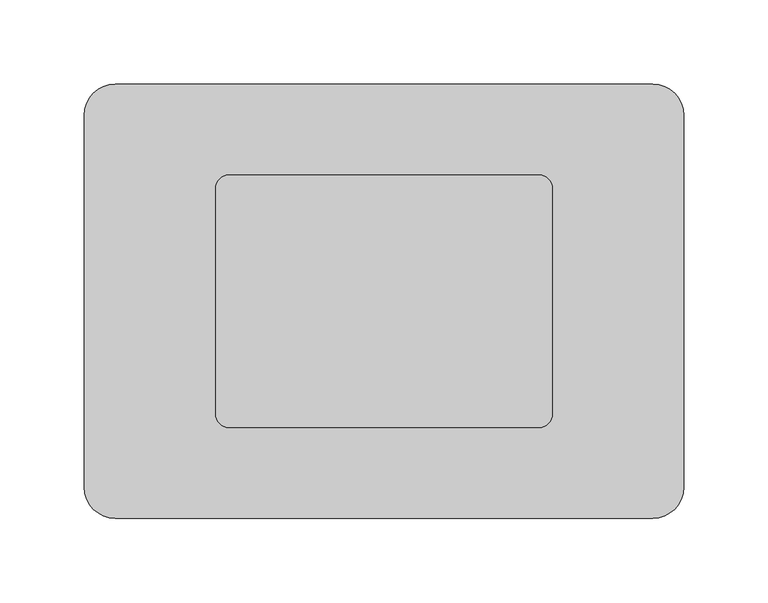
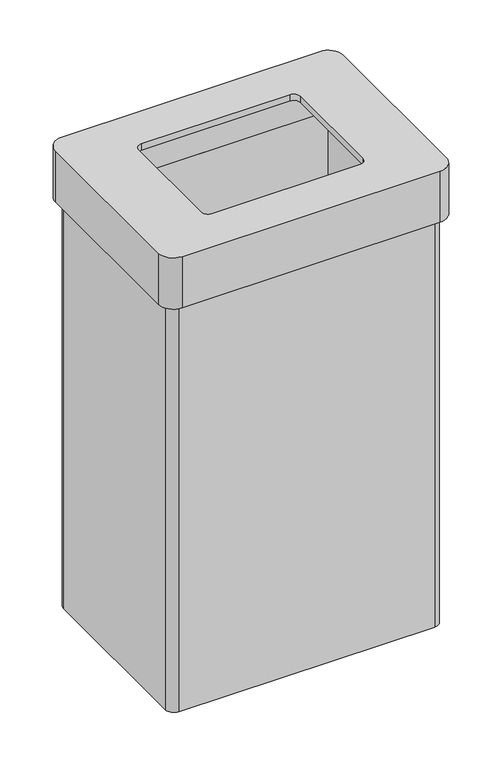
"""IFC4 building model written with IfcOpenShell, lengths in millimetres: furniture geometry."""

from ifc_helpers import new_model, si_unit, frame, origin, place, context, project, spatial, polyline, circle_curve, source, transform, mapped, element, save
from ifc_brep_helpers import plane_surface, cylinder_surface, revolved_surface, advanced_brep


def furniture_df1c7543(model_context):
    return source(origin(), model_context, "Body", "AdvancedBrep", [
        advanced_brep(
        [(158.25, 119.75, 534.2), (-158.25, 119.75, 534.2), (-168.75, 109.25, 534.2), (-168.75, -109.25, 534.2), (-158.25, -119.75, 534.2), (158.25, -119.75, 534.2), (168.75, -109.25, 534.2), (168.75, 109.25, 534.2), (159.5, 110.5, 534.2), (159.5, -110.5, 534.2), (-159.5, -110.5, 534.2), (-159.5, 110.5, 534.2), (158.25, 119.75, 0.0), (168.75, 109.25, 0.0), (168.75, -109.25, 0.0), (158.25, -119.75, 0.0), (-158.25, -119.75, 0.0), (-168.75, -109.25, 0.0), (-168.75, 109.25, 0.0), (-158.25, 119.75, 0.0), (159.5, 110.5, 8.0), (159.5, -110.5, 8.0), (-159.5, -110.5, 8.0), (-159.5, 110.5, 8.0)],
        [
            (0, 1),
            (1, 2, circle_curve(frame((-158.25, 109.25, 534.2), z_axis=(0.0, 0.0, 1.0), x_axis=(1.0, 0.0, 0.0)), 10.5)),
            (2, 3),
            (3, 4, circle_curve(frame((-158.25, -109.25, 534.2), z_axis=(0.0, 0.0, 1.0), x_axis=(1.0, 0.0, 0.0)), 10.5)),
            (4, 5),
            (5, 6, circle_curve(frame((158.25, -109.25, 534.2), z_axis=(0.0, 0.0, 1.0), x_axis=(1.0, 0.0, 0.0)), 10.5)),
            (6, 7),
            (7, 0, circle_curve(frame((158.25, 109.25, 534.2), z_axis=(0.0, 0.0, 1.0), x_axis=(1.0, 0.0, 0.0)), 10.5)),
            (8, 9),
            (9, 10),
            (10, 11),
            (11, 8),
            (12, 13, circle_curve(frame((158.25, 109.25, 0.0), z_axis=(0.0, 0.0, -1.0), x_axis=(1.0, 0.0, 0.0)), 10.5)),
            (13, 14),
            (14, 15, circle_curve(frame((158.25, -109.25, 0.0), z_axis=(0.0, 0.0, -1.0), x_axis=(1.0, 0.0, 0.0)), 10.5)),
            (15, 16),
            (16, 17, circle_curve(frame((-158.25, -109.25, 0.0), z_axis=(0.0, 0.0, -1.0), x_axis=(1.0, 0.0, 0.0)), 10.5)),
            (17, 18),
            (18, 19, circle_curve(frame((-158.25, 109.25, 0.0), z_axis=(0.0, 0.0, -1.0), x_axis=(1.0, 0.0, 0.0)), 10.5)),
            (19, 12),
            (8, 20),
            (20, 21),
            (21, 9),
            (21, 22),
            (22, 10),
            (22, 23),
            (23, 11),
            (23, 20),
            (0, 12),
            (19, 1),
            (18, 2),
            (17, 3),
            (16, 4),
            (15, 5),
            (14, 6),
            (13, 7),
        ],
        [
            plane_surface(frame((159.5, 110.5, 534.2), z_axis=(0.0, 0.0, 1.0), x_axis=(0.0, -1.0, 0.0))),
            plane_surface(frame((159.5, 110.5, 0.0), z_axis=(0.0, 0.0, -1.0), x_axis=(0.0, 1.0, 0.0))),
            plane_surface(frame((159.5, 110.5, 534.2), z_axis=(-1.0, 0.0, 0.0), x_axis=(0.0, 0.0, -1.0))),
            plane_surface(frame((159.5, -110.5, 534.2), z_axis=(0.0, 1.0, 0.0), x_axis=(0.0, 0.0, -1.0))),
            plane_surface(frame((-159.5, -110.5, 534.2), z_axis=(1.0, 0.0, 0.0), x_axis=(0.0, 0.0, -1.0))),
            plane_surface(frame((-159.5, 110.5, 534.2), z_axis=(0.0, -1.0, 0.0), x_axis=(0.0, 0.0, -1.0))),
            plane_surface(frame((158.25, 119.75, 534.2), z_axis=(0.0, 1.0, 0.0), x_axis=(0.0, 0.0, -1.0))),
            cylinder_surface(frame((-158.25, 109.25, 0.0), z_axis=(0.0, 0.0, 1.0), x_axis=(1.0, 0.0, 0.0)), 10.5),
            plane_surface(frame((-168.75, 109.25, 534.2), z_axis=(-1.0, 0.0, 0.0), x_axis=(0.0, 0.0, -1.0))),
            cylinder_surface(frame((-158.25, -109.25, 0.0), z_axis=(0.0, 0.0, 1.0), x_axis=(1.0, 0.0, 0.0)), 10.5),
            plane_surface(frame((-158.25, -119.75, 534.2), z_axis=(0.0, -1.0, 0.0), x_axis=(0.0, 0.0, -1.0))),
            cylinder_surface(frame((158.25, -109.25, 0.0), z_axis=(0.0, 0.0, 1.0), x_axis=(1.0, 0.0, 0.0)), 10.5),
            plane_surface(frame((168.75, -109.25, 534.2), z_axis=(1.0, 0.0, 0.0), x_axis=(0.0, 0.0, -1.0))),
            cylinder_surface(frame((158.25, 109.25, 0.0), z_axis=(0.0, 0.0, 1.0), x_axis=(1.0, 0.0, 0.0)), 10.5),
            plane_surface(frame((-159.5, 110.5, 8.0), z_axis=(0.0, 0.0, 1.0), x_axis=(-1.0, 0.0, 0.0))),
        ],
        [
            (0, [[1, 2, 3, 4, 5, 6, 7, 8], [9, 10, 11, 12]]),
            (1, [[13, 14, 15, 16, 17, 18, 19, 20]]),
            (2, [[-9, 21, 22, 23]]),
            (3, [[-10, -23, 24, 25]]),
            (4, [[-11, -25, 26, 27]]),
            (5, [[-12, -27, 28, -21]]),
            (6, [[-1, 29, -20, 30]]),
            (7, [[-2, -30, -19, 31]]),
            (8, [[-3, -31, -18, 32]]),
            (9, [[-4, -32, -17, 33]]),
            (10, [[-5, -33, -16, 34]]),
            (11, [[-6, -34, -15, 35]]),
            (12, [[-7, -35, -14, 36]]),
            (13, [[-8, -36, -13, -29]]),
            (14, [[-22, -28, -26, -24]]),
        ],
    ),
        advanced_brep(
        [(159.5, 129.0, 601.2), (-159.5, 129.0, 601.2), (-178.0, 110.5, 601.2), (-178.0, -110.5, 601.2), (-159.5, -129.0, 601.2), (159.5, -129.0, 601.2), (178.0, -110.5, 601.2), (178.0, 110.5, 601.2), (92.0, 75.0, 601.2), (100.0, 67.0, 601.2), (100.0, -67.0, 601.2), (92.0, -75.0, 601.2), (-92.0, -75.0, 601.2), (-100.0, -67.0, 601.2), (-100.0, 67.0, 601.2), (-92.0, 75.0, 601.2), (159.5, 110.5, 593.2), (159.5, -110.5, 593.2), (-159.5, -110.5, 593.2), (-159.5, 110.5, 593.2), (92.0, 75.0, 593.2), (-92.0, 75.0, 593.2), (-100.0, 67.0, 593.2), (-100.0, -67.0, 593.2), (-92.0, -75.0, 593.2), (92.0, -75.0, 593.2), (100.0, -67.0, 593.2), (100.0, 67.0, 593.2), (159.5, 129.0, 534.2), (178.0, 110.5, 534.2), (178.0, -110.5, 534.2), (159.5, -129.0, 534.2), (-159.5, -129.0, 534.2), (-178.0, -110.5, 534.2), (-178.0, 110.5, 534.2), (-159.5, 129.0, 534.2), (159.5, 110.5, 534.2), (-159.5, 110.5, 534.2), (-159.5, -110.5, 534.2), (159.5, -110.5, 534.2)],
        [
            (0, 1),
            (1, 2, circle_curve(frame((-159.5, 110.5, 601.2), z_axis=(0.0, 0.0, 1.0), x_axis=(1.0, 0.0, 0.0)), 18.5)),
            (2, 3),
            (3, 4, circle_curve(frame((-159.5, -110.5, 601.2), z_axis=(0.0, 0.0, 1.0), x_axis=(1.0, 0.0, 0.0)), 18.5)),
            (4, 5),
            (5, 6, circle_curve(frame((159.5, -110.5, 601.2), z_axis=(0.0, 0.0, 1.0), x_axis=(1.0, 0.0, 0.0)), 18.5)),
            (6, 7),
            (7, 0, circle_curve(frame((159.5, 110.5, 601.2), z_axis=(0.0, 0.0, 1.0), x_axis=(1.0, 0.0, 0.0)), 18.5)),
            (8, 9, circle_curve(frame((92.0, 67.0, 601.2), z_axis=(0.0, 0.0, -1.0), x_axis=(1.0, 0.0, 0.0)), 8.0)),
            (9, 10),
            (10, 11, circle_curve(frame((92.0, -67.0, 601.2), z_axis=(0.0, 0.0, -1.0), x_axis=(1.0, 0.0, 0.0)), 8.0)),
            (11, 12),
            (12, 13, circle_curve(frame((-92.0, -67.0, 601.2), z_axis=(0.0, 0.0, -1.0), x_axis=(1.0, 0.0, 0.0)), 8.0)),
            (13, 14),
            (14, 15, circle_curve(frame((-92.0, 67.0, 601.2), z_axis=(0.0, 0.0, -1.0), x_axis=(1.0, 0.0, 0.0)), 8.0)),
            (15, 8),
            (16, 17),
            (17, 18),
            (18, 19),
            (19, 16),
            (20, 21),
            (21, 22, circle_curve(frame((-92.0, 67.0, 593.2), z_axis=(0.0, 0.0, 1.0), x_axis=(1.0, 0.0, 0.0)), 8.0)),
            (22, 23),
            (23, 24, circle_curve(frame((-92.0, -67.0, 593.2), z_axis=(0.0, 0.0, 1.0), x_axis=(1.0, 0.0, 0.0)), 8.0)),
            (24, 25),
            (25, 26, circle_curve(frame((92.0, -67.0, 593.2), z_axis=(0.0, 0.0, 1.0), x_axis=(1.0, 0.0, 0.0)), 8.0)),
            (26, 27),
            (27, 20, circle_curve(frame((92.0, 67.0, 593.2), z_axis=(0.0, 0.0, 1.0), x_axis=(1.0, 0.0, 0.0)), 8.0)),
            (28, 29, circle_curve(frame((159.5, 110.5, 534.2), z_axis=(0.0, 0.0, -1.0), x_axis=(1.0, 0.0, 0.0)), 18.5)),
            (29, 30),
            (30, 31, circle_curve(frame((159.5, -110.5, 534.2), z_axis=(0.0, 0.0, -1.0), x_axis=(1.0, 0.0, 0.0)), 18.5)),
            (31, 32),
            (32, 33, circle_curve(frame((-159.5, -110.5, 534.2), z_axis=(0.0, 0.0, -1.0), x_axis=(1.0, 0.0, 0.0)), 18.5)),
            (33, 34),
            (34, 35, circle_curve(frame((-159.5, 110.5, 534.2), z_axis=(0.0, 0.0, -1.0), x_axis=(1.0, 0.0, 0.0)), 18.5)),
            (35, 28),
            (36, 37),
            (37, 38),
            (38, 39),
            (39, 36),
            (0, 28),
            (35, 1),
            (34, 2),
            (33, 3),
            (32, 4),
            (31, 5),
            (30, 6),
            (29, 7),
            (39, 17),
            (16, 36),
            (38, 18),
            (37, 19),
            (8, 20),
            (27, 9),
            (26, 10),
            (25, 11),
            (24, 12),
            (23, 13),
            (22, 14),
            (21, 15),
        ],
        [
            plane_surface(frame((-159.5, 110.5, 601.2), z_axis=(0.0, 0.0, 1.0), x_axis=(-1.0, 0.0, 0.0))),
            plane_surface(frame((-159.5, 110.5, 593.2), z_axis=(0.0, 0.0, -1.0), x_axis=(1.0, 0.0, 0.0))),
            plane_surface(frame((-159.5, 129.0, 534.2), z_axis=(0.0, 0.0, -1.0), x_axis=(1.0, 0.0, 0.0))),
            plane_surface(frame((159.5, 129.0, 601.2), z_axis=(0.0, 1.0, 0.0), x_axis=(0.0, 0.0, -1.0))),
            cylinder_surface(frame((-159.5, 110.5, 534.2), z_axis=(0.0, 0.0, 1.0), x_axis=(1.0, 0.0, 0.0)), 18.5),
            plane_surface(frame((-178.0, 110.5, 601.2), z_axis=(-1.0, 0.0, 0.0), x_axis=(0.0, 0.0, -1.0))),
            cylinder_surface(frame((-159.5, -110.5, 534.2), z_axis=(0.0, 0.0, 1.0), x_axis=(1.0, 0.0, 0.0)), 18.5),
            plane_surface(frame((-159.5, -129.0, 601.2), z_axis=(0.0, -1.0, 0.0), x_axis=(0.0, 0.0, -1.0))),
            cylinder_surface(frame((159.5, -110.5, 534.2), z_axis=(0.0, 0.0, 1.0), x_axis=(1.0, 0.0, 0.0)), 18.5),
            plane_surface(frame((178.0, -110.5, 601.2), z_axis=(1.0, 0.0, 0.0), x_axis=(0.0, 0.0, -1.0))),
            cylinder_surface(frame((159.5, 110.5, 534.2), z_axis=(0.0, 0.0, 1.0), x_axis=(1.0, 0.0, 0.0)), 18.5),
            plane_surface(frame((159.5, 110.5, 601.2), z_axis=(-1.0, 0.0, 0.0), x_axis=(0.0, 0.0, -1.0))),
            plane_surface(frame((159.5, -110.5, 601.2), z_axis=(0.0, 1.0, 0.0), x_axis=(0.0, 0.0, -1.0))),
            plane_surface(frame((-159.5, -110.5, 601.2), z_axis=(1.0, 0.0, 0.0), x_axis=(0.0, 0.0, -1.0))),
            plane_surface(frame((-159.5, 110.5, 601.2), z_axis=(0.0, -1.0, 0.0), x_axis=(0.0, 0.0, -1.0))),
            revolved_surface(polyline([(100.0, 67.0, 593.2), (100.0, 67.0, 601.2)]), (92.0, 67.0, 601.2), (0.0, 0.0, -1.0)),
            plane_surface(frame((100.0, 67.0, 601.2), z_axis=(-1.0, 0.0, 0.0), x_axis=(0.0, 0.0, -1.0))),
            revolved_surface(polyline([(100.0, -67.0, 593.2), (100.0, -67.0, 601.2)]), (92.0, -67.0, 601.2), (0.0, 0.0, -1.0)),
            plane_surface(frame((92.0, -75.0, 601.2), z_axis=(0.0, 1.0, 0.0), x_axis=(0.0, 0.0, -1.0))),
            revolved_surface(polyline([(-84.0, -67.0, 593.2), (-84.0, -67.0, 601.2)]), (-92.0, -67.0, 601.2), (0.0, 0.0, -1.0)),
            plane_surface(frame((-100.0, -67.0, 601.2), z_axis=(1.0, 0.0, 0.0), x_axis=(0.0, 0.0, -1.0))),
            revolved_surface(polyline([(-84.0, 67.0, 593.2), (-84.0, 67.0, 601.2)]), (-92.0, 67.0, 601.2), (0.0, 0.0, -1.0)),
            plane_surface(frame((-92.0, 75.0, 601.2), z_axis=(0.0, -1.0, 0.0), x_axis=(0.0, 0.0, -1.0))),
        ],
        [
            (0, [[1, 2, 3, 4, 5, 6, 7, 8], [9, 10, 11, 12, 13, 14, 15, 16]]),
            (1, [[17, 18, 19, 20], [21, 22, 23, 24, 25, 26, 27, 28]]),
            (2, [[29, 30, 31, 32, 33, 34, 35, 36], [37, 38, 39, 40]]),
            (3, [[-1, 41, -36, 42]]),
            (4, [[-2, -42, -35, 43]]),
            (5, [[-3, -43, -34, 44]]),
            (6, [[-4, -44, -33, 45]]),
            (7, [[-5, -45, -32, 46]]),
            (8, [[-6, -46, -31, 47]]),
            (9, [[-7, -47, -30, 48]]),
            (10, [[-8, -48, -29, -41]]),
            (11, [[-40, 49, -17, 50]]),
            (12, [[-39, 51, -18, -49]]),
            (13, [[-38, 52, -19, -51]]),
            (14, [[-37, -50, -20, -52]]),
            (15, [[-9, 53, -28, 54]]),
            (16, [[-10, -54, -27, 55]]),
            (17, [[-11, -55, -26, 56]]),
            (18, [[-12, -56, -25, 57]]),
            (19, [[-13, -57, -24, 58]]),
            (20, [[-14, -58, -23, 59]]),
            (21, [[-15, -59, -22, 60]]),
            (22, [[-16, -60, -21, -53]]),
        ],
    ),
    ])


if __name__ == "__main__":
    model = new_model("IFC4")
    model_context = context("Model", 3, world=origin())
    ifc_project = project(units=[si_unit("LENGTHUNIT", "METRE", prefix="MILLI")], contexts=[model_context])
    site = spatial("IfcSite", under=ifc_project)
    building = spatial("IfcBuilding", under=site)
    placement = place(None, origin())
    furniture_shape = furniture_df1c7543(model_context)
    element("IfcFurniture", 1, at=placement, inside=building, context=model_context, shape_type="MappedRepresentation", body=[
        mapped(furniture_shape, transform((0.0, 0.0, 0.0), x_axis=(1.0, 0.0, 0.0), y_axis=(0.0, 1.0, 0.0), z_axis=(0.0, 0.0, 1.0))),
    ])
    save(model, "model.ifc")
